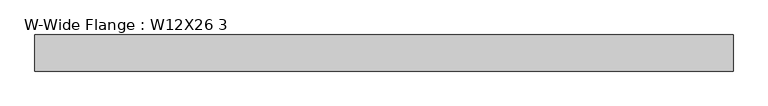
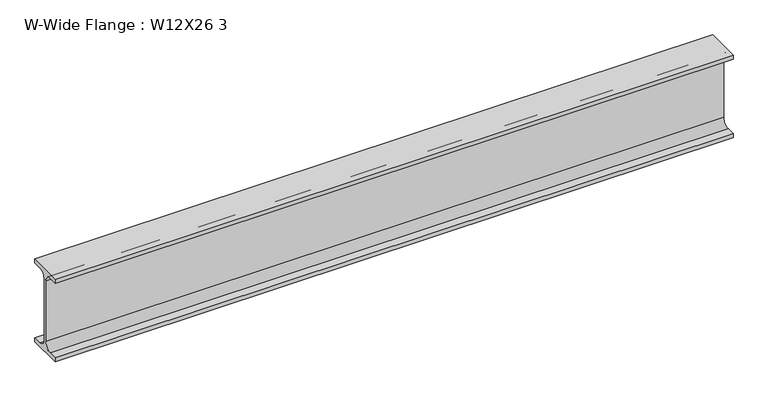
"""IFC4 building model written with IfcOpenShell, lengths in millimetres: beam geometry, W-Wide Flange : W12X26 3."""

from ifc_helpers import new_model, si_unit, point, frame, frame_2d, origin, place, context, project, spatial, polyline, circle_curve, trimmed, segment, composite_curve, outline, extrude, source, transform, mapped, element, save


def w_wide_flange_w12x26_3_4e393c1a(model_context):
    return source(origin(), model_context, "Body", "SweptSolid", [
        extrude(outline(composite_curve([segment(polyline([(40.0, -90.3757813), (40.0, -100.0), (-40.0, -100.0), (-40.0, -90.3757813), (-20.2902344, -90.3757813)]), True, "CONTINUOUS"), segment(trimmed(circle_curve(frame_2d((-20.2902344, -73.0125)), 17.3632813), [point((-20.2902344, -90.3757813))], [point((-2.9269531, -73.0125))], True, "CARTESIAN"), True, "CONTINUOUS"), segment(polyline([(-2.9269531, -73.0125), (-2.9269531, 73.0125)]), True, "CONTINUOUS"), segment(trimmed(circle_curve(frame_2d((-20.2902344, 73.0125)), 17.3632812), [point((-2.9269531, 73.0125))], [point((-20.2902344, 90.3757812))], True, "CARTESIAN"), True, "CONTINUOUS"), segment(polyline([(-20.2902344, 90.3757812), (-40.0, 90.3757812), (-40.0, 100.0), (40.0, 100.0), (40.0, 90.3757812), (20.2902344, 90.3757812)]), True, "CONTINUOUS"), segment(trimmed(circle_curve(frame_2d((20.2902344, 73.0125)), 17.3632812), [point((20.2902344, 90.3757812))], [point((2.9269531, 73.0125))], True, "CARTESIAN"), True, "CONTINUOUS"), segment(polyline([(2.9269531, 73.0125), (2.9269531, -73.0125)]), True, "CONTINUOUS"), segment(trimmed(circle_curve(frame_2d((20.2902344, -73.0125)), 17.3632812), [point((2.9269531, -73.0125))], [point((20.2902344, -90.3757813))], True, "CARTESIAN"), True, "CONTINUOUS"), segment(polyline([(20.2902344, -90.3757813), (40.0, -90.3757813)]), True, "CONTINUOUS")], self_intersect=False)), frame((-773.5, 0.0, 0.0), z_axis=(1.0, 0.0, 0.0), x_axis=(0.0, 1.0, 0.0)), (0.0, 0.0, 1.0), 1547.0),
    ])


if __name__ == "__main__":
    model = new_model("IFC4")
    model_context = context("Model", 3, world=origin())
    ifc_project = project(units=[si_unit("LENGTHUNIT", "METRE", prefix="MILLI")], contexts=[model_context])
    site = spatial("IfcSite", under=ifc_project)
    building = spatial("IfcBuilding", under=site)
    placement = place(None, origin())
    w_wide_flange_w12x26_3_shape = w_wide_flange_w12x26_3_4e393c1a(model_context)
    element("IfcBeam", 1, ObjectType="W-Wide Flange : W12X26 3", at=placement, inside=building, context=model_context, shape_type="MappedRepresentation", body=[
        mapped(w_wide_flange_w12x26_3_shape, transform((0.0, 0.0, 0.0), x_axis=(1.0, 0.0, 0.0), y_axis=(0.0, 1.0, 0.0), z_axis=(0.0, 0.0, 1.0))),
    ])
    save(model, "model.ifc")
